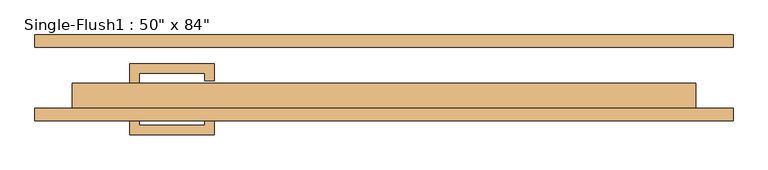
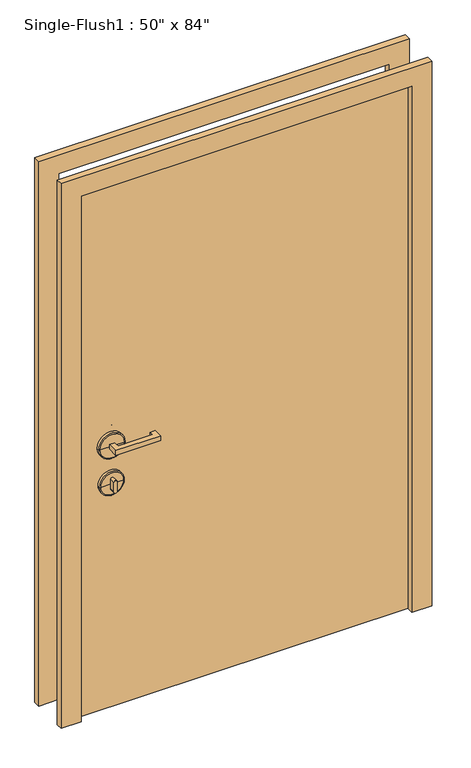
"""IFC4 building model written with IfcOpenShell, lengths in millimetres: door geometry."""

from ifc_helpers import new_model, si_unit, point, frame, frame_2d, origin, origin_with_axes, place, context, project, spatial, polyline, circle_curve, ellipse_curve, trimmed, segment, composite_curve, outline, extrude, source, transform, mapped, element, save
from ifc_brep_helpers import plane_surface, cylinder_surface, revolved_surface, advanced_brep


def door_ea05f1b1(model_context):
    return source(origin(), model_context, "Body", "SolidModel", [
        extrude(outline(polyline([(-498.475, -12.7), (-517.525, -12.7), (-517.525, 28.575), (-346.075, 28.575), (-346.075, -6.35), (-365.125, -6.35), (-365.125, 9.525), (-498.475, 9.525), (-498.475, -12.7)])), frame((0.0, 0.0, 1057.275), z_axis=(0.0, 0.0, 1.0), x_axis=(1.0, 0.0, 0.0)), (0.0, 0.0, 1.0), 19.05),
        extrude(outline(composite_curve([segment(trimmed(circle_curve(frame_2d((895.35, -508.0)), 6.35), [point((895.35, -514.35))], [point((895.35, -501.65))], False, "CARTESIAN"), True, "CONTINUOUS"), segment(polyline([(895.35, -501.65), (933.45, -501.65)]), True, "CONTINUOUS"), segment(trimmed(circle_curve(frame_2d((933.45, -508.0)), 6.35), [point((933.45, -501.65))], [point((933.45, -514.35))], False, "CARTESIAN"), True, "CONTINUOUS"), segment(polyline([(933.45, -514.35), (895.35, -514.35)]), True, "CONTINUOUS")], self_intersect=False)), frame((0.0, -12.7, 0.0), z_axis=(0.0, 1.0, 0.0), x_axis=(0.0, 0.0, 1.0)), (0.0, 0.0, 1.0), 22.225),
        advanced_brep(
        [(-460.375, -15.875, 914.4), (-555.625, -15.875, 914.4), (-555.625, -25.4, 914.4), (-460.375, -25.4, 914.4), (-463.55, -12.7, 914.4), (-552.45, -12.7, 914.4), (-508.0, -12.7, 914.4), (-508.0, -25.4, 914.4)],
        [
            (0, 1, circle_curve(frame((-508.0, -15.875, 914.4), z_axis=(0.0, -1.0, 0.0), x_axis=(-1.0, 0.0, 0.0)), 47.625)),
            (1, 2),
            (2, 3, circle_curve(frame((-508.0, -25.4, 914.4), z_axis=(0.0, 1.0, 0.0), x_axis=(-1.0, 0.0, 0.0)), 47.625)),
            (3, 0),
            (1, 0, circle_curve(frame((-508.0, -15.875, 914.4), z_axis=(0.0, -1.0, 0.0), x_axis=(-1.0, 0.0, 0.0)), 47.625)),
            (3, 2, circle_curve(frame((-508.0, -25.4, 914.4), z_axis=(0.0, 1.0, 0.0), x_axis=(-1.0, 0.0, 0.0)), 47.625)),
            (4, 5, circle_curve(frame((-508.0, -12.7, 914.4), z_axis=(0.0, -1.0, 0.0), x_axis=(-1.0, 0.0, 0.0)), 44.45)),
            (5, 1, circle_curve(frame((-552.45, -15.875, 914.4), z_axis=(0.0, 0.0, 1.0), x_axis=(1.0, 0.0, 0.0)), 3.175)),
            (0, 4, circle_curve(frame((-463.55, -15.875, 914.4), z_axis=(0.0, 0.0, 1.0), x_axis=(-1.0, 0.0, 0.0)), 3.175)),
            (5, 4, circle_curve(frame((-508.0, -12.7, 914.4), z_axis=(0.0, -1.0, 0.0), x_axis=(-1.0, 0.0, 0.0)), 44.45)),
            (6, 5),
            (4, 6),
            (2, 7),
            (7, 3),
        ],
        [
            cylinder_surface(frame((-508.0, -152.4, 914.4), z_axis=(0.0, 1.0, 0.0), x_axis=(-1.0, 0.0, 0.0)), 47.625),
            revolved_surface(trimmed(ellipse_curve(frame((-552.45, -15.875, 914.4), z_axis=(0.0, 0.0, -1.0), x_axis=(1.0, 0.0, 0.0)), 3.175, 3.175), [point((-555.625, -15.875, 914.4))], [point((-552.45, -12.7, 914.4))], True, "CARTESIAN"), (-508.0, -152.4, 914.4), (0.0, 1.0, 0.0)),
            plane_surface(frame((-508.0, -12.7, 914.4), z_axis=(0.0, 1.0, 0.0), x_axis=(-1.0, 0.0, 0.0))),
            plane_surface(frame((-508.0, -25.4, 914.4), z_axis=(0.0, -1.0, 0.0), x_axis=(-1.0, 0.0, 0.0))),
        ],
        [
            (0, [[1, 2, 3, 4]]),
            (0, [[5, -4, 6, -2]]),
            (1, [[7, 8, -1, 9]]),
            (1, [[10, -9, -5, -8]]),
            (2, [[11, -7, 12]]),
            (2, [[-12, -10, -11]]),
            (3, [[-3, 13, 14]]),
            (3, [[-6, -14, -13]]),
        ],
    ),
        advanced_brep(
        [(-457.2, -15.875, 1066.8), (-558.8, -15.875, 1066.8), (-558.8, -25.4, 1066.8), (-457.2, -25.4, 1066.8), (-460.375, -12.7, 1066.8), (-555.625, -12.7, 1066.8), (-508.0, -12.7, 1066.8), (-508.0, -25.4, 1066.8)],
        [
            (0, 1, circle_curve(frame((-508.0, -15.875, 1066.8), z_axis=(0.0, -1.0, 0.0), x_axis=(-1.0, 0.0, 0.0)), 50.8)),
            (1, 2),
            (2, 3, circle_curve(frame((-508.0, -25.4, 1066.8), z_axis=(0.0, 1.0, 0.0), x_axis=(-1.0, 0.0, 0.0)), 50.8)),
            (3, 0),
            (1, 0, circle_curve(frame((-508.0, -15.875, 1066.8), z_axis=(0.0, -1.0, 0.0), x_axis=(-1.0, 0.0, 0.0)), 50.8)),
            (3, 2, circle_curve(frame((-508.0, -25.4, 1066.8), z_axis=(0.0, 1.0, 0.0), x_axis=(-1.0, 0.0, 0.0)), 50.8)),
            (4, 5, circle_curve(frame((-508.0, -12.7, 1066.8), z_axis=(0.0, -1.0, 0.0), x_axis=(-1.0, 0.0, 0.0)), 47.625)),
            (5, 1, circle_curve(frame((-555.625, -15.875, 1066.8), z_axis=(0.0, 0.0, 1.0), x_axis=(1.0, 0.0, 0.0)), 3.175)),
            (0, 4, circle_curve(frame((-460.375, -15.875, 1066.8), z_axis=(0.0, 0.0, 1.0), x_axis=(-1.0, 0.0, 0.0)), 3.175)),
            (5, 4, circle_curve(frame((-508.0, -12.7, 1066.8), z_axis=(0.0, -1.0, 0.0), x_axis=(-1.0, 0.0, 0.0)), 47.625)),
            (6, 5),
            (4, 6),
            (2, 7),
            (7, 3),
        ],
        [
            cylinder_surface(frame((-508.0, -152.4, 1066.8), z_axis=(0.0, 1.0, 0.0), x_axis=(-1.0, 0.0, 0.0)), 50.8),
            revolved_surface(trimmed(ellipse_curve(frame((-555.625, -15.875, 1066.8), z_axis=(0.0, 0.0, -1.0), x_axis=(1.0, 0.0, 0.0)), 3.175, 3.175), [point((-558.8, -15.875, 1066.8))], [point((-555.625, -12.7, 1066.8))], True, "CARTESIAN"), (-508.0, -152.4, 1066.8), (0.0, 1.0, 0.0)),
            plane_surface(frame((-508.0, -12.7, 1066.8), z_axis=(0.0, 1.0, 0.0), x_axis=(-1.0, 0.0, 0.0))),
            plane_surface(frame((-508.0, -25.4, 1066.8), z_axis=(0.0, -1.0, 0.0), x_axis=(-1.0, 0.0, 0.0))),
        ],
        [
            (0, [[1, 2, 3, 4]]),
            (0, [[5, -4, 6, -2]]),
            (1, [[7, 8, -1, 9]]),
            (1, [[10, -9, -5, -8]]),
            (2, [[11, -7, 12]]),
            (2, [[-12, -10, -11]]),
            (3, [[-3, 13, 14]]),
            (3, [[-6, -14, -13]]),
        ],
    ),
        extrude(outline(polyline([(-498.475, -74.6125), (-498.475, -96.8375), (-365.125, -96.8375), (-365.125, -80.9625), (-346.075, -80.9625), (-346.075, -115.8875), (-517.525, -115.8875), (-517.525, -74.6125), (-498.475, -74.6125)])), frame((0.0, 0.0, 1057.275), z_axis=(0.0, 0.0, 1.0), x_axis=(1.0, 0.0, 0.0)), (0.0, 0.0, 1.0), 19.05),
        extrude(outline(composite_curve([segment(trimmed(circle_curve(frame_2d((895.35, -508.0)), 6.35), [point((895.35, -514.35))], [point((895.35, -501.65))], False, "CARTESIAN"), True, "CONTINUOUS"), segment(polyline([(895.35, -501.65), (933.45, -501.65)]), True, "CONTINUOUS"), segment(trimmed(circle_curve(frame_2d((933.45, -508.0)), 6.35), [point((933.45, -501.65))], [point((933.45, -514.35))], False, "CARTESIAN"), True, "CONTINUOUS"), segment(polyline([(933.45, -514.35), (895.35, -514.35)]), True, "CONTINUOUS")], self_intersect=False)), frame((0.0, -96.8375, 0.0), z_axis=(0.0, 1.0, 0.0), x_axis=(0.0, 0.0, 1.0)), (0.0, 0.0, 1.0), 22.225),
        advanced_brep(
        [(-460.375, -71.4375, 914.4), (-460.375, -61.9125, 914.4), (-555.625, -61.9125, 914.4), (-555.625, -71.4375, 914.4), (-463.55, -74.6125, 914.4), (-552.45, -74.6125, 914.4), (-508.0, -74.6125, 914.4), (-508.0, -61.9125, 914.4)],
        [
            (0, 1),
            (1, 2, circle_curve(frame((-508.0, -61.9125, 914.4), z_axis=(0.0, -1.0, 0.0), x_axis=(-1.0, 0.0, 0.0)), 47.625)),
            (2, 3),
            (3, 0, circle_curve(frame((-508.0, -71.4375, 914.4), z_axis=(0.0, 1.0, 0.0), x_axis=(-1.0, 0.0, 0.0)), 47.625)),
            (2, 1, circle_curve(frame((-508.0, -61.9125, 914.4), z_axis=(0.0, -1.0, 0.0), x_axis=(-1.0, 0.0, 0.0)), 47.625)),
            (0, 3, circle_curve(frame((-508.0, -71.4375, 914.4), z_axis=(0.0, 1.0, 0.0), x_axis=(-1.0, 0.0, 0.0)), 47.625)),
            (4, 0, circle_curve(frame((-463.55, -71.4375, 914.4), z_axis=(0.0, 0.0, 1.0), x_axis=(-1.0, 0.0, 0.0)), 3.175)),
            (3, 5, circle_curve(frame((-552.45, -71.4375, 914.4), z_axis=(0.0, 0.0, 1.0), x_axis=(1.0, 0.0, 0.0)), 3.175)),
            (5, 4, circle_curve(frame((-508.0, -74.6125, 914.4), z_axis=(0.0, 1.0, 0.0), x_axis=(-1.0, 0.0, 0.0)), 44.45)),
            (4, 5, circle_curve(frame((-508.0, -74.6125, 914.4), z_axis=(0.0, 1.0, 0.0), x_axis=(-1.0, 0.0, 0.0)), 44.45)),
            (6, 4),
            (5, 6),
            (1, 7),
            (7, 2),
        ],
        [
            cylinder_surface(frame((-508.0, 65.0875, 914.4), z_axis=(0.0, -1.0, 0.0), x_axis=(-1.0, 0.0, 0.0)), 47.625),
            revolved_surface(trimmed(ellipse_curve(frame((-552.45, -71.4375, 914.4), z_axis=(0.0, 0.0, 1.0), x_axis=(1.0, 0.0, 0.0)), 3.175, 3.175), [point((-555.625, -71.4375, 914.4))], [point((-552.45, -74.6125, 914.4))], True, "CARTESIAN"), (-508.0, 65.0875, 914.4), (0.0, -1.0, 0.0)),
            plane_surface(frame((-508.0, -74.6125, 914.4), z_axis=(0.0, -1.0, 0.0), x_axis=(-1.0, 0.0, 0.0))),
            plane_surface(frame((-508.0, -61.9125, 914.4), z_axis=(0.0, 1.0, 0.0), x_axis=(-1.0, 0.0, 0.0))),
        ],
        [
            (0, [[1, 2, 3, 4]]),
            (0, [[-3, 5, -1, 6]]),
            (1, [[7, -4, 8, 9]]),
            (1, [[-8, -6, -7, 10]]),
            (2, [[11, -9, 12]]),
            (2, [[-12, -10, -11]]),
            (3, [[13, 14, -2]]),
            (3, [[-14, -13, -5]]),
        ],
    ),
        advanced_brep(
        [(-457.2, -71.4375, 1066.8), (-457.2, -61.9125, 1066.8), (-558.8, -61.9125, 1066.8), (-558.8, -71.4375, 1066.8), (-460.375, -74.6125, 1066.8), (-555.625, -74.6125, 1066.8), (-508.0, -74.6125, 1066.8), (-508.0, -61.9125, 1066.8)],
        [
            (0, 1),
            (1, 2, circle_curve(frame((-508.0, -61.9125, 1066.8), z_axis=(0.0, -1.0, 0.0), x_axis=(-1.0, 0.0, 0.0)), 50.8)),
            (2, 3),
            (3, 0, circle_curve(frame((-508.0, -71.4375, 1066.8), z_axis=(0.0, 1.0, 0.0), x_axis=(-1.0, 0.0, 0.0)), 50.8)),
            (2, 1, circle_curve(frame((-508.0, -61.9125, 1066.8), z_axis=(0.0, -1.0, 0.0), x_axis=(-1.0, 0.0, 0.0)), 50.8)),
            (0, 3, circle_curve(frame((-508.0, -71.4375, 1066.8), z_axis=(0.0, 1.0, 0.0), x_axis=(-1.0, 0.0, 0.0)), 50.8)),
            (4, 0, circle_curve(frame((-460.375, -71.4375, 1066.8), z_axis=(0.0, 0.0, 1.0), x_axis=(-1.0, 0.0, 0.0)), 3.175)),
            (3, 5, circle_curve(frame((-555.625, -71.4375, 1066.8), z_axis=(0.0, 0.0, 1.0), x_axis=(1.0, 0.0, 0.0)), 3.175)),
            (5, 4, circle_curve(frame((-508.0, -74.6125, 1066.8), z_axis=(0.0, 1.0, 0.0), x_axis=(-1.0, 0.0, 0.0)), 47.625)),
            (4, 5, circle_curve(frame((-508.0, -74.6125, 1066.8), z_axis=(0.0, 1.0, 0.0), x_axis=(-1.0, 0.0, 0.0)), 47.625)),
            (6, 4),
            (5, 6),
            (1, 7),
            (7, 2),
        ],
        [
            cylinder_surface(frame((-508.0, 65.0875, 1066.8), z_axis=(0.0, -1.0, 0.0), x_axis=(-1.0, 0.0, 0.0)), 50.8),
            revolved_surface(trimmed(ellipse_curve(frame((-555.625, -71.4375, 1066.8), z_axis=(0.0, 0.0, 1.0), x_axis=(1.0, 0.0, 0.0)), 3.175, 3.175), [point((-558.8, -71.4375, 1066.8))], [point((-555.625, -74.6125, 1066.8))], True, "CARTESIAN"), (-508.0, 65.0875, 1066.8), (0.0, -1.0, 0.0)),
            plane_surface(frame((-508.0, -74.6125, 1066.8), z_axis=(0.0, -1.0, 0.0), x_axis=(-1.0, 0.0, 0.0))),
            plane_surface(frame((-508.0, -61.9125, 1066.8), z_axis=(0.0, 1.0, 0.0), x_axis=(-1.0, 0.0, 0.0))),
        ],
        [
            (0, [[1, 2, 3, 4]]),
            (0, [[-3, 5, -1, 6]]),
            (1, [[7, -4, 8, 9]]),
            (1, [[-8, -6, -7, 10]]),
            (2, [[11, -9, 12]]),
            (2, [[-12, -10, -11]]),
            (3, [[13, 14, -2]]),
            (3, [[-14, -13, -5]]),
        ],
    ),
        extrude(outline(polyline([(2209.8, -711.2), (0.0, -711.2), (0.0, -635.0), (2133.6, -635.0), (2133.6, 635.0), (0.0, 635.0), (0.0, 711.2), (2209.8, 711.2), (2209.8, -711.2)])), frame((0.0, -87.3125, 0.0), z_axis=(0.0, 1.0, 0.0), x_axis=(0.0, 0.0, 1.0)), (0.0, 0.0, 1.0), 25.4),
        extrude(outline(polyline([(2209.8, 711.2), (2209.8, -711.2), (0.0, -711.2), (0.0, -635.0), (2133.6, -635.0), (2133.6, 635.0), (0.0, 635.0), (0.0, 711.2), (2209.8, 711.2)])), frame((0.0, 61.9125, 0.0), z_axis=(0.0, 1.0, 0.0), x_axis=(0.0, 0.0, 1.0)), (0.0, 0.0, 1.0), 25.4),
        extrude(outline(polyline([(635.0, -11.1125), (635.0, -61.9125), (-635.0, -61.9125), (-635.0, -11.1125), (635.0, -11.1125)])), origin_with_axes(), (0.0, 0.0, 1.0), 2133.6),
    ])


if __name__ == "__main__":
    model = new_model("IFC4")
    model_context = context("Model", 3, world=origin())
    ifc_project = project(units=[si_unit("LENGTHUNIT", "METRE", prefix="MILLI")], contexts=[model_context])
    site = spatial("IfcSite", under=ifc_project)
    building = spatial("IfcBuilding", under=site)
    placement = place(None, origin())
    door_shape = door_ea05f1b1(model_context)
    element("IfcDoor", 1, ObjectType="Single-Flush1 : 50\" x 84\"", at=placement, inside=building, context=model_context, shape_type="MappedRepresentation", body=[
        mapped(door_shape, transform((0.0, 0.0, 0.0), x_axis=(1.0, 0.0, 0.0), y_axis=(0.0, 1.0, 0.0), z_axis=(0.0, 0.0, 1.0))),
    ])
    save(model, "model.ifc")
